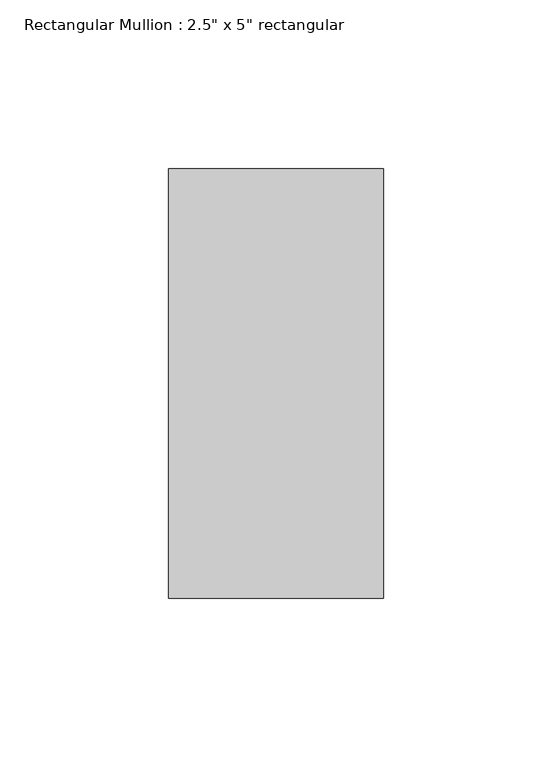
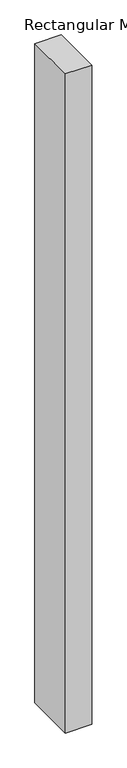
"""IFC4 building model written with IfcOpenShell, lengths in millimetres: member geometry."""

from ifc_helpers import new_model, si_unit, frame, origin, place, context, project, spatial, polyline, outline, extrude, source, transform, mapped, element, save


def member_062c1ce8(model_context):
    return source(origin(), model_context, "Body", "SweptSolid", [
        extrude(outline(polyline([(0.0, 63.5), (0.0, -63.5), (-63.5, -63.5), (-63.5, 63.5), (0.0, 63.5)])), frame((0.0, 0.0, -1676.4), z_axis=(0.0, 0.0, 1.0), x_axis=(1.0, 0.0, 0.0)), (0.0, 0.0, 1.0), 1676.4),
    ])


if __name__ == "__main__":
    model = new_model("IFC4")
    model_context = context("Model", 3, world=origin())
    ifc_project = project(units=[si_unit("LENGTHUNIT", "METRE", prefix="MILLI")], contexts=[model_context])
    site = spatial("IfcSite", under=ifc_project)
    building = spatial("IfcBuilding", under=site)
    placement = place(None, origin())
    member_shape = member_062c1ce8(model_context)
    element("IfcMember", 1, ObjectType="Rectangular Mullion : 2.5\" x 5\" rectangular", at=placement, inside=building, context=model_context, shape_type="MappedRepresentation", body=[
        mapped(member_shape, transform((0.0, 0.0, 0.0), x_axis=(1.0, 0.0, 0.0), y_axis=(0.0, 1.0, 0.0), z_axis=(0.0, 0.0, 1.0))),
    ])
    save(model, "model.ifc")
